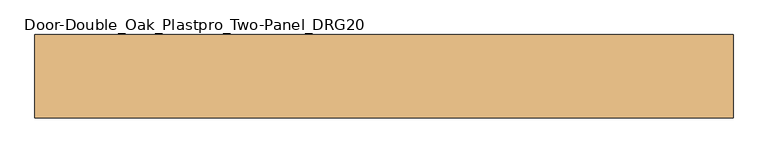
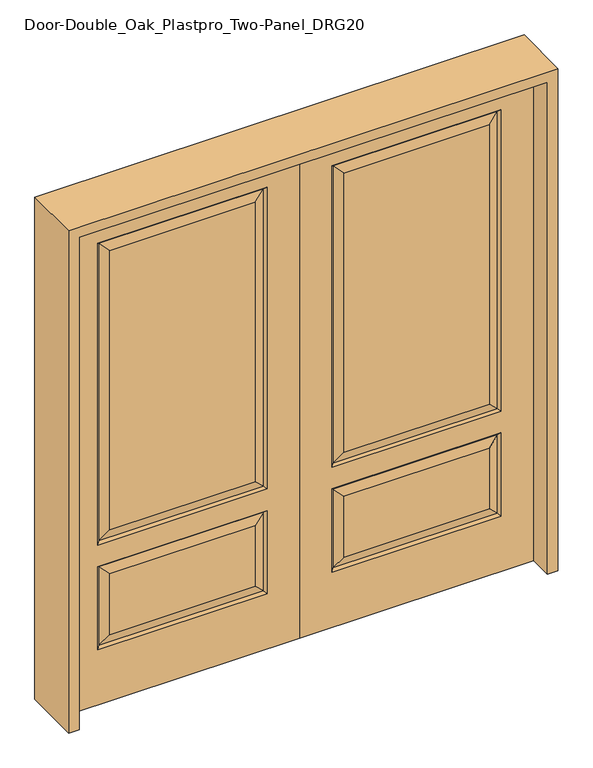
"""IFC4 building model written with IfcOpenShell, lengths in millimetres: door geometry, Door-Double_Oak_Plastpro_Two-Panel_DRG20."""

from ifc_helpers import new_model, si_unit, frame, origin, place, context, project, spatial, polyline, outline, extrude, faceted_brep, source, transform, mapped, element, save


def door_double_oak_plastpro_two_panel_drg20_643cc366(model_context):
    return source(origin(), model_context, "Body", "SolidModel", [
        faceted_brep([(-914.4, 20.6375, 0.0), (0.0, 20.6375, 0.0), (0.0, -20.6375, 0.0), (-914.4, -20.6375, 0.0), (-914.4, 20.6375, 2032.0), (-914.4, -20.6375, 2032.0), (0.0, -20.6375, 2032.0), (-787.4, -20.6375, 660.4), (-787.4, -20.6375, 1905.0), (-127.0, -20.6375, 1905.0), (-127.0, -20.6375, 660.4), (-787.4, -20.6375, 228.6), (-787.4, -20.6375, 571.5), (-127.0, -20.6375, 571.5), (-127.0, -20.6375, 228.6), (-173.0375, -20.6375, 706.4375), (-173.0375, -20.6375, 1858.9625), (-741.3625, -20.6375, 1858.9625), (-741.3625, -20.6375, 706.4375), (-173.0375, -20.6375, 274.6375), (-173.0375, -20.6375, 525.4625), (-741.3625, -20.6375, 525.4625), (-741.3625, -20.6375, 274.6375), (0.0, 20.6375, 2032.0), (-787.4, 20.6375, 571.5), (-787.4, 20.6375, 228.6), (-127.0, 20.6375, 228.6), (-127.0, 20.6375, 571.5), (-787.4, 20.6375, 1905.0), (-787.4, 20.6375, 660.4), (-127.0, 20.6375, 660.4), (-127.0, 20.6375, 1905.0), (-173.0375, 20.6375, 525.4625), (-173.0375, 20.6375, 274.6375), (-741.3625, 20.6375, 274.6375), (-741.3625, 20.6375, 525.4625), (-173.0375, 20.6375, 1858.9625), (-173.0375, 20.6375, 706.4375), (-741.3625, 20.6375, 706.4375), (-741.3625, 20.6375, 1858.9625), (-135.9802561, 11.6572439, 669.3802561), (-135.9802561, 11.6572439, 1896.0197439), (-778.4197439, 11.6572439, 669.3802561), (-778.4197439, 11.6572439, 1896.0197439), (-778.4197439, 11.6572439, 562.5197439), (-135.9802561, 11.6572439, 562.5197439), (-135.9802561, 11.6572439, 237.5802561), (-778.4197439, 11.6572439, 237.5802561), (-778.4197439, -11.6572439, 669.3802561), (-135.9802561, -11.6572439, 669.3802561), (-135.9802561, -11.6572439, 1896.0197439), (-778.4197439, -11.6572439, 1896.0197439), (-778.4197439, -11.6572439, 237.5802561), (-135.9802561, -11.6572439, 237.5802561), (-135.9802561, -11.6572439, 562.5197439), (-778.4197439, -11.6572439, 562.5197439)], [[[0, 1, 2, 3]], [[4, 0, 3, 5]], [[5, 3, 2, 6], [7, 8, 9, 10], [11, 12, 13, 14]], [[15, 16, 17, 18]], [[19, 20, 21, 22]], [[6, 2, 1, 23]], [[23, 1, 0, 4], [24, 25, 26, 27], [28, 29, 30, 31]], [[32, 33, 34, 35]], [[36, 37, 38, 39]], [[31, 30, 40, 41]], [[30, 29, 42, 40]], [[43, 42, 29, 28]], [[39, 38, 42, 43]], [[40, 42, 38, 37]], [[41, 40, 37, 36]], [[44, 24, 27, 45]], [[27, 26, 46, 45]], [[26, 25, 47, 46]], [[44, 47, 25, 24]], [[45, 32, 35, 44]], [[35, 34, 47, 44]], [[46, 47, 34, 33]], [[45, 46, 33, 32]], [[48, 7, 10, 49]], [[10, 9, 50, 49]], [[48, 51, 8, 7]], [[49, 15, 18, 48]], [[18, 17, 51, 48]], [[49, 50, 16, 15]], [[52, 11, 14, 53]], [[14, 13, 54, 53]], [[13, 12, 55, 54]], [[52, 55, 12, 11]], [[53, 19, 22, 52]], [[22, 21, 55, 52]], [[54, 55, 21, 20]], [[53, 54, 20, 19]], [[4, 5, 6, 23]], [[9, 8, 51, 50]], [[50, 51, 17, 16]], [[43, 28, 31, 41]], [[41, 36, 39, 43]]]),
        faceted_brep([(914.4, 20.6375, 0.0), (914.4, -20.6375, 0.0), (0.0, -20.6375, 0.0), (0.0, 20.6375, 0.0), (914.4, 20.6375, 2032.0), (914.4, -20.6375, 2032.0), (173.0375, -20.6375, 706.4375), (741.3625, -20.6375, 706.4375), (741.3625, -20.6375, 1858.9625), (173.0375, -20.6375, 1858.9625), (173.0375, -20.6375, 274.6375), (741.3625, -20.6375, 274.6375), (741.3625, -20.6375, 525.4625), (173.0375, -20.6375, 525.4625), (0.0, -20.6375, 2032.0), (787.4, -20.6375, 660.4), (127.0, -20.6375, 660.4), (127.0, -20.6375, 1905.0), (787.4, -20.6375, 1905.0), (787.4, -20.6375, 228.6), (127.0, -20.6375, 228.6), (127.0, -20.6375, 571.5), (787.4, -20.6375, 571.5), (0.0, 20.6375, 2032.0), (173.0375, 20.6375, 525.4625), (741.3625, 20.6375, 525.4625), (741.3625, 20.6375, 274.6375), (173.0375, 20.6375, 274.6375), (173.0375, 20.6375, 1858.9625), (741.3625, 20.6375, 1858.9625), (741.3625, 20.6375, 706.4375), (173.0375, 20.6375, 706.4375), (787.4, 20.6375, 571.5), (127.0, 20.6375, 571.5), (127.0, 20.6375, 228.6), (787.4, 20.6375, 228.6), (787.4, 20.6375, 1905.0), (127.0, 20.6375, 1905.0), (127.0, 20.6375, 660.4), (787.4, 20.6375, 660.4), (135.9802561, 11.6572439, 1896.0197439), (135.9802561, 11.6572439, 669.3802561), (778.4197439, 11.6572439, 669.3802561), (778.4197439, 11.6572439, 1896.0197439), (778.4197439, 11.6572439, 562.5197439), (135.9802561, 11.6572439, 562.5197439), (135.9802561, 11.6572439, 237.5802561), (778.4197439, 11.6572439, 237.5802561), (778.4197439, -11.6572439, 669.3802561), (135.9802561, -11.6572439, 669.3802561), (135.9802561, -11.6572439, 1896.0197439), (778.4197439, -11.6572439, 1896.0197439), (778.4197439, -11.6572439, 237.5802561), (135.9802561, -11.6572439, 237.5802561), (135.9802561, -11.6572439, 562.5197439), (778.4197439, -11.6572439, 562.5197439)], [[[0, 1, 2, 3]], [[4, 5, 1, 0]], [[6, 7, 8, 9]], [[10, 11, 12, 13]], [[5, 14, 2, 1], [15, 16, 17, 18], [19, 20, 21, 22]], [[14, 23, 3, 2]], [[24, 25, 26, 27]], [[28, 29, 30, 31]], [[23, 4, 0, 3], [32, 33, 34, 35], [36, 37, 38, 39]], [[37, 40, 41, 38]], [[38, 41, 42, 39]], [[43, 36, 39, 42]], [[29, 43, 42, 30]], [[41, 31, 30, 42]], [[40, 28, 31, 41]], [[44, 45, 33, 32]], [[33, 45, 46, 34]], [[34, 46, 47, 35]], [[44, 32, 35, 47]], [[45, 44, 25, 24]], [[25, 44, 47, 26]], [[46, 27, 26, 47]], [[45, 24, 27, 46]], [[48, 49, 16, 15]], [[16, 49, 50, 17]], [[48, 15, 18, 51]], [[49, 48, 7, 6]], [[7, 48, 51, 8]], [[49, 6, 9, 50]], [[52, 53, 20, 19]], [[20, 53, 54, 21]], [[21, 54, 55, 22]], [[52, 19, 22, 55]], [[53, 52, 11, 10]], [[11, 52, 55, 12]], [[54, 13, 12, 55]], [[53, 10, 13, 54]], [[4, 23, 14, 5]], [[17, 50, 51, 18]], [[50, 9, 8, 51]], [[43, 40, 37, 36]], [[40, 43, 29, 28]]]),
        extrude(outline(polyline([(2073.275, -955.675), (0.0, -955.675), (0.0, -914.4), (2032.0, -914.4), (2032.0, 914.4), (0.0, 914.4), (0.0, 955.675), (2073.275, 955.675), (2073.275, -955.675)])), frame((0.0, -114.3, 0.0), z_axis=(0.0, 1.0, 0.0), x_axis=(0.0, 0.0, 1.0)), (0.0, 0.0, 1.0), 228.6),
    ])


if __name__ == "__main__":
    model = new_model("IFC4")
    model_context = context("Model", 3, world=origin())
    ifc_project = project(units=[si_unit("LENGTHUNIT", "METRE", prefix="MILLI")], contexts=[model_context])
    site = spatial("IfcSite", under=ifc_project)
    building = spatial("IfcBuilding", under=site)
    placement = place(None, origin())
    door_double_oak_plastpro_two_panel_drg20_shape = door_double_oak_plastpro_two_panel_drg20_643cc366(model_context)
    element("IfcDoor", 1, ObjectType="Door-Double_Oak_Plastpro_Two-Panel_DRG20", at=placement, inside=building, context=model_context, shape_type="MappedRepresentation", body=[
        mapped(door_double_oak_plastpro_two_panel_drg20_shape, transform((0.0, 0.0, 0.0), x_axis=(1.0, 0.0, 0.0), y_axis=(0.0, 1.0, 0.0), z_axis=(0.0, 0.0, 1.0))),
    ])
    save(model, "model.ifc")
